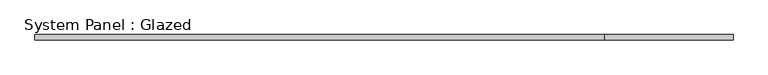
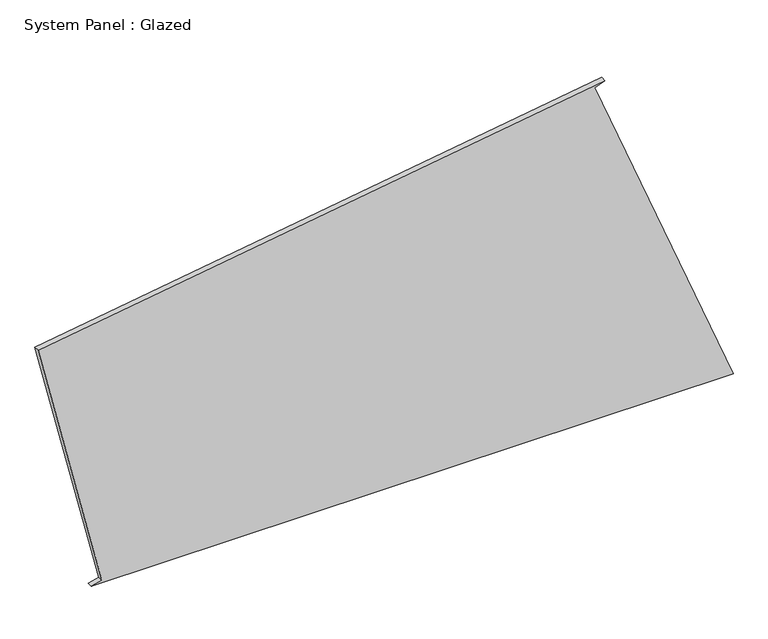
"""IFC4 building model written with IfcOpenShell, lengths in millimetres: plate geometry, System Panel : Glazed."""

from ifc_helpers import new_model, si_unit, frame, origin, place, context, project, spatial, polyline, outline, extrude, source, transform, mapped, element, save


def system_panel_glazed_eda67ca2(model_context):
    return source(origin(), model_context, "Body", "SweptSolid", [
        extrude(outline(polyline([(0.0, -1348.8951543), (0.0, 1593.0923339), (1609.0925172, 957.9395044), (1627.4504621, 1004.4474162), (1230.3144819, -1593.0923339), (11.6815307, -1300.2788829), (0.0, -1348.8951543)])), frame((0.0, -49.5, 0.0), z_axis=(0.0, 1.0, 0.0), x_axis=(0.0, 0.0, 1.0)), (0.0, 0.0, 1.0), 25.0),
    ])


if __name__ == "__main__":
    model = new_model("IFC4")
    model_context = context("Model", 3, world=origin())
    ifc_project = project(units=[si_unit("LENGTHUNIT", "METRE", prefix="MILLI")], contexts=[model_context])
    site = spatial("IfcSite", under=ifc_project)
    building = spatial("IfcBuilding", under=site)
    placement = place(None, origin())
    system_panel_glazed_shape = system_panel_glazed_eda67ca2(model_context)
    element("IfcPlate", 1, ObjectType="System Panel : Glazed", at=placement, inside=building, context=model_context, shape_type="MappedRepresentation", body=[
        mapped(system_panel_glazed_shape, transform((0.0, 0.0, 0.0), x_axis=(1.0, 0.0, 0.0), y_axis=(0.0, 1.0, 0.0), z_axis=(0.0, 0.0, 1.0))),
    ])
    save(model, "model.ifc")
